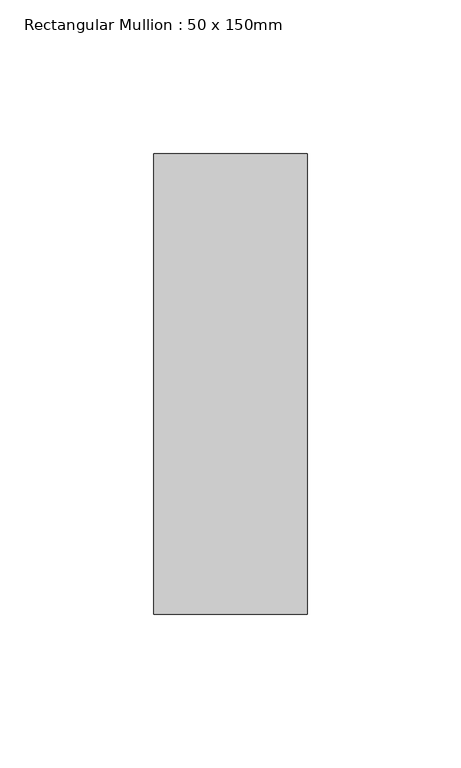
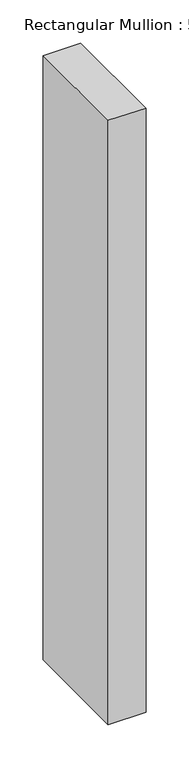
"""IFC4 building model written with IfcOpenShell, lengths in millimetres: member geometry, Rectangular Mullion : 50 x 150mm."""

from ifc_helpers import new_model, si_unit, frame, origin, place, context, project, spatial, polyline, outline, extrude, source, transform, mapped, element, save


def rectangular_mullion_50_x_150mm_324a6438(model_context):
    return source(origin(), model_context, "Body", "SweptSolid", [
        extrude(outline(polyline([(0.0, 75.0), (0.0, -75.0), (-50.0, -75.0), (-50.0, 75.0), (0.0, 75.0)])), frame((0.0, 0.0, -850.0), z_axis=(0.0, 0.0, 1.0), x_axis=(1.0, 0.0, 0.0)), (0.0, 0.0, 1.0), 850.0),
    ])


if __name__ == "__main__":
    model = new_model("IFC4")
    model_context = context("Model", 3, world=origin())
    ifc_project = project(units=[si_unit("LENGTHUNIT", "METRE", prefix="MILLI")], contexts=[model_context])
    site = spatial("IfcSite", under=ifc_project)
    building = spatial("IfcBuilding", under=site)
    placement = place(None, origin())
    rectangular_mullion_50_x_150mm_shape = rectangular_mullion_50_x_150mm_324a6438(model_context)
    element("IfcMember", 1, ObjectType="Rectangular Mullion : 50 x 150mm", at=placement, inside=building, context=model_context, shape_type="MappedRepresentation", body=[
        mapped(rectangular_mullion_50_x_150mm_shape, transform((0.0, 0.0, 0.0), x_axis=(1.0, 0.0, 0.0), y_axis=(0.0, 1.0, 0.0), z_axis=(0.0, 0.0, 1.0))),
    ])
    save(model, "model.ifc")
